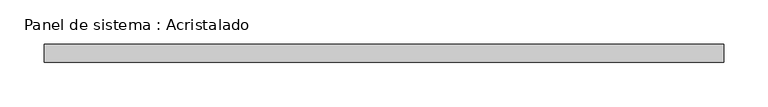
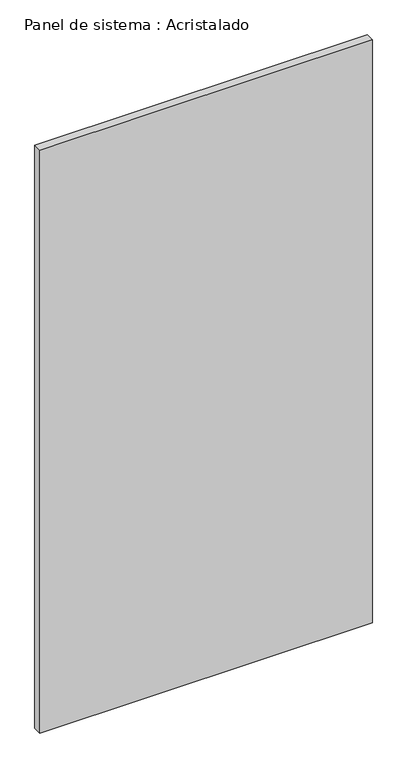
"""IFC4 building model written with IfcOpenShell, lengths in millimetres: plate geometry, Panel de sistema : Acristalado."""

from ifc_helpers import new_model, si_unit, origin, origin_with_axes, place, context, project, spatial, polyline, outline, extrude, source, transform, mapped, element, save


def panel_de_sistema_acristalado_d60a6eeb(model_context):
    return source(origin(), model_context, "Body", "SweptSolid", [
        extrude(outline(polyline([(383.1334816, -10.0), (-383.1334816, -10.0), (-383.1334816, 10.0), (383.1334816, 10.0), (383.1334816, -10.0)])), origin_with_axes(), (0.0, 0.0, 1.0), 1419.9740771),
    ])


if __name__ == "__main__":
    model = new_model("IFC4")
    model_context = context("Model", 3, world=origin())
    ifc_project = project(units=[si_unit("LENGTHUNIT", "METRE", prefix="MILLI")], contexts=[model_context])
    site = spatial("IfcSite", under=ifc_project)
    building = spatial("IfcBuilding", under=site)
    placement = place(None, origin())
    panel_de_sistema_acristalado_shape = panel_de_sistema_acristalado_d60a6eeb(model_context)
    element("IfcPlate", 1, ObjectType="Panel de sistema : Acristalado", at=placement, inside=building, context=model_context, shape_type="MappedRepresentation", body=[
        mapped(panel_de_sistema_acristalado_shape, transform((0.0, 0.0, 0.0), x_axis=(1.0, 0.0, 0.0), y_axis=(0.0, 1.0, 0.0), z_axis=(0.0, 0.0, 1.0))),
    ])
    save(model, "model.ifc")
